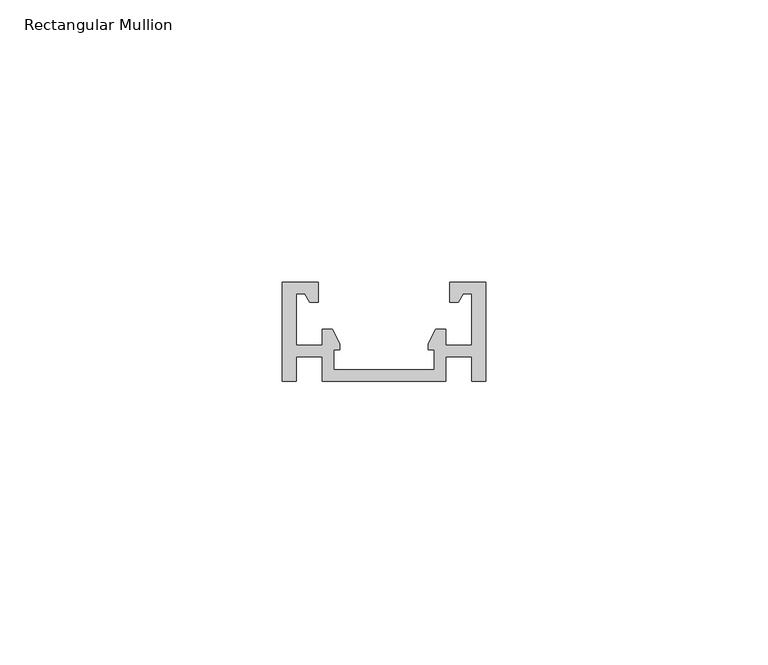
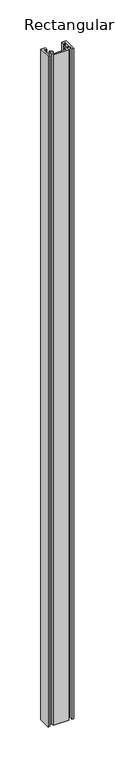
"""IFC4 building model written with IfcOpenShell, lengths in millimetres: member geometry, Rectangular Mullion."""

from ifc_helpers import new_model, si_unit, frame, origin, place, context, project, spatial, polyline, outline, extrude, source, transform, mapped, element, save


def rectangular_mullion_f221c489(model_context):
    return source(origin(), model_context, "Body", "SweptSolid", [
        extrude(outline(polyline([(-9.1, 2.0), (-9.1, 5.6), (-10.2, 5.6), (-10.2, 6.6), (-8.8514682, 9.2), (-7.1, 9.2), (-7.1, 6.35), (-2.5, 6.35), (-2.5, 15.5054985), (-3.9968254, 15.5054985), (-4.8660254, 14.0), (-6.4, 14.0), (-6.4, 17.5), (0.0, 17.5), (0.0, 0.0), (-2.5, 0.0), (-2.5, 4.35), (-7.1, 4.35), (-7.1, 0.0), (-28.9, 0.0), (-28.9, 4.35), (-33.5, 4.35), (-33.5, 0.0), (-36.0, 0.0), (-36.0, 17.5), (-29.6, 17.5), (-29.6, 14.0), (-31.1339746, 14.0), (-32.0031746, 15.5054985), (-33.5, 15.5054985), (-33.5, 6.35), (-28.9, 6.35), (-28.9, 9.2), (-27.1485318, 9.2), (-25.8, 6.6), (-25.8, 5.6), (-26.9, 5.6), (-26.9, 2.0), (-9.1, 2.0)])), frame((0.0, 0.0, -1000.0), z_axis=(0.0, 0.0, 1.0), x_axis=(1.0, 0.0, 0.0)), (0.0, 0.0, 1.0), 1000.0),
    ])


if __name__ == "__main__":
    model = new_model("IFC4")
    model_context = context("Model", 3, world=origin())
    ifc_project = project(units=[si_unit("LENGTHUNIT", "METRE", prefix="MILLI")], contexts=[model_context])
    site = spatial("IfcSite", under=ifc_project)
    building = spatial("IfcBuilding", under=site)
    placement = place(None, origin())
    rectangular_mullion_shape = rectangular_mullion_f221c489(model_context)
    element("IfcMember", 1, ObjectType="Rectangular Mullion", at=placement, inside=building, context=model_context, shape_type="MappedRepresentation", body=[
        mapped(rectangular_mullion_shape, transform((0.0, 0.0, 0.0), x_axis=(1.0, 0.0, 0.0), y_axis=(0.0, 1.0, 0.0), z_axis=(0.0, 0.0, 1.0))),
    ])
    save(model, "model.ifc")
